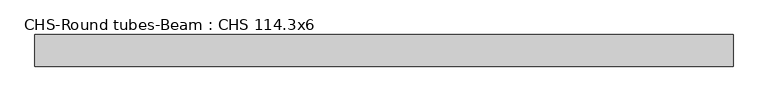
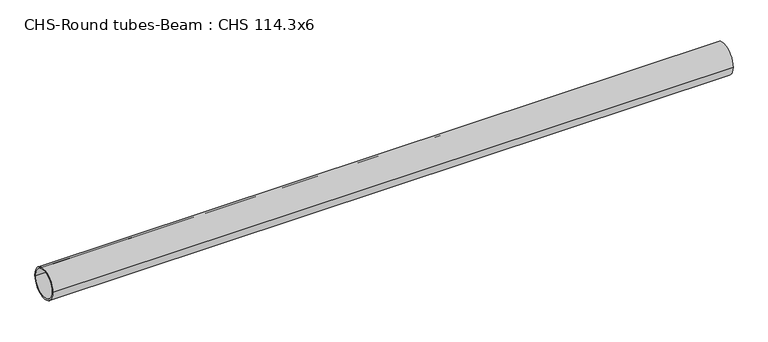
"""IFC4 building model written with IfcOpenShell, lengths in millimetres: beam geometry, CHS-Round tubes-Beam : CHS 114.3x6."""

from ifc_helpers import new_model, si_unit, point, frame, origin, origin_2d, place, context, project, spatial, circle_curve, trimmed, segment, composite_curve, outline, extrude, source, transform, mapped, element, save


def chs_round_tubes_beam_chs_114_3x6_87ced9f0(model_context):
    return source(origin(), model_context, "Body", "SweptSolid", [
        extrude(outline(composite_curve([segment(trimmed(circle_curve(origin_2d(), 57.15), [point((57.15, 0.0))], [point((-57.15, 0.0))], False, "CARTESIAN"), True, "CONTINUOUS"), segment(trimmed(circle_curve(origin_2d(), 57.15), [point((-57.15, 0.0))], [point((57.15, 0.0))], False, "CARTESIAN"), True, "CONTINUOUS")], self_intersect=False), holes=[composite_curve([segment(trimmed(circle_curve(origin_2d(), 51.15), [point((51.15, 0.0))], [point((-51.15, 0.0))], True, "CARTESIAN"), True, "CONTINUOUS"), segment(trimmed(circle_curve(origin_2d(), 51.15), [point((-51.15, 0.0))], [point((51.15, 0.0))], True, "CARTESIAN"), True, "CONTINUOUS")], self_intersect=False)]), frame((-1259.2814261, 0.0, 0.0), z_axis=(1.0, 0.0, 0.0), x_axis=(0.0, 1.0, 0.0)), (0.0, 0.0, 1.0), 2522.8471346),
    ])


if __name__ == "__main__":
    model = new_model("IFC4")
    model_context = context("Model", 3, world=origin())
    ifc_project = project(units=[si_unit("LENGTHUNIT", "METRE", prefix="MILLI")], contexts=[model_context])
    site = spatial("IfcSite", under=ifc_project)
    building = spatial("IfcBuilding", under=site)
    placement = place(None, origin())
    chs_round_tubes_beam_chs_114_3x6_shape = chs_round_tubes_beam_chs_114_3x6_87ced9f0(model_context)
    element("IfcBeam", 1, ObjectType="CHS-Round tubes-Beam : CHS 114.3x6", at=placement, inside=building, context=model_context, shape_type="MappedRepresentation", body=[
        mapped(chs_round_tubes_beam_chs_114_3x6_shape, transform((0.0, 0.0, 0.0), x_axis=(1.0, 0.0, 0.0), y_axis=(0.0, 1.0, 0.0), z_axis=(0.0, 0.0, 1.0))),
    ])
    save(model, "model.ifc")
